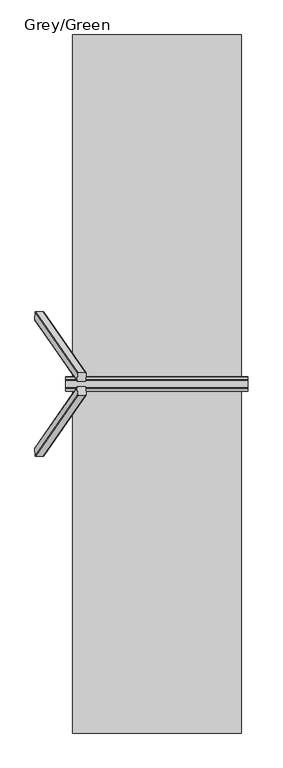
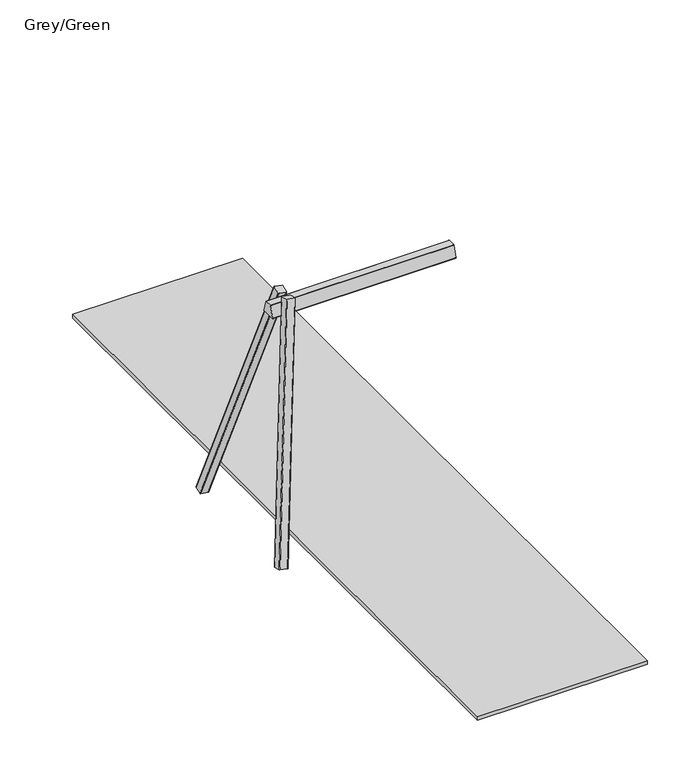
"""IFC4 building model written with IfcOpenShell, lengths in millimetres: furniture geometry, Grey/Green."""

import ifcopenshell
import ifcopenshell.guid

model = None  # the IFC model being written
_history = None  # IfcOwnerHistory: only IFC2X3 demands one
_inside = {}  # id of a spatial element -> (the spatial element, [elements in it])
_under = {}  # id of a project, library or spatial element -> (it, [spatial elements below it])
_declared = {}  # id of a project -> (the project, [libraries it declares])
_typed = {}  # id of a type object -> (the type object, [elements of that type])
_made_of = {}  # id of a material, layer set ... -> (it, [elements and type objects made of it])


def new_model(schema):
    """Start an empty IFC model of exactly this schema.

    Asked for "IFC4X3", IfcOpenShell would pick the latest addendum, in which some entities
    have other attributes; the version numbers below select the first issue.
    IFC2X3 requires an IfcOwnerHistory on every rooted entity: one is made here for all.
    """
    global model, _history
    if schema == "IFC4X3":
        model = ifcopenshell.file(schema_version=(4, 3, 0, 0))
    else:
        model = ifcopenshell.file(schema=schema)
    _inside.clear()
    _under.clear()
    _declared.clear()
    _typed.clear()
    _made_of.clear()
    _history = None
    if model.schema == "IFC2X3":
        org = make("IfcOrganization", Name="unknown")
        user = make(
            "IfcPersonAndOrganization",
            ThePerson=make("IfcPerson", FamilyName="unknown"),
            TheOrganization=org,
        )
        app = make(
            "IfcApplication",
            ApplicationDeveloper=org,
            Version="unknown",
            ApplicationFullName="unknown",
            ApplicationIdentifier="unknown",
        )
        _history = make(
            "IfcOwnerHistory",
            OwningUser=user,
            OwningApplication=app,
            ChangeAction="ADDED",
            CreationDate=0,
        )
    return model


def make(cls, **values):
    """One entity of the class cls with the attributes given. An attribute that is None is left unset."""
    return model.create_entity(
        cls, **{name: value for name, value in values.items() if value is not None}
    )


def rooted(cls, **values):
    """An entity with a GlobalId (a new one), such as an element, a storey or a relation."""
    return make(cls, GlobalId=ifcopenshell.guid.new(), OwnerHistory=_history, **values)


def si_unit(unit_type, name, prefix=None):
    """IfcSIUnit, for example si_unit("LENGTHUNIT", "METRE", prefix="MILLI")."""
    return make("IfcSIUnit", UnitType=unit_type, Prefix=prefix, Name=name)


def assignment(units):
    """IfcUnitAssignment: the units of a project."""
    return None if units is None else make("IfcUnitAssignment", Units=units)


def point(xyz):
    """IfcCartesianPoint."""
    return None if xyz is None else make("IfcCartesianPoint", Coordinates=xyz)


def direction(xyz):
    """IfcDirection."""
    return None if xyz is None else make("IfcDirection", DirectionRatios=xyz)


def frame(location, z_axis=None, x_axis=None):
    """IfcAxis2Placement3D, a coordinate frame: its origin and axes. An axis left out is left unset."""
    return make(
        "IfcAxis2Placement3D",
        Location=point(location),
        Axis=direction(z_axis),
        RefDirection=direction(x_axis),
    )


def frame_2d(location, x_axis=None):
    """IfcAxis2Placement2D, a coordinate frame in the plane: its origin and x axis."""
    return make(
        "IfcAxis2Placement2D", Location=point(location), RefDirection=direction(x_axis)
    )


def origin():
    """The frame at (0, 0, 0) with its axes left unset."""
    return frame((0.0, 0.0, 0.0))


def place(relative_to, where):
    """IfcLocalPlacement: puts the frame where relative to a parent placement (None: the world)."""
    return make(
        "IfcLocalPlacement", PlacementRelTo=relative_to, RelativePlacement=where
    )


def context(
    kind, dimensions, precision=None, world=None, true_north=None, identifier=None
):
    """IfcGeometricRepresentationContext, for example the 3D "Model" context."""
    return make(
        "IfcGeometricRepresentationContext",
        ContextIdentifier=identifier,
        ContextType=kind,
        CoordinateSpaceDimension=dimensions,
        Precision=precision,
        WorldCoordinateSystem=world,
        TrueNorth=true_north,
    )


def project(units=None, contexts=None):
    """IfcProject with its units and contexts."""
    return rooted(
        "IfcProject",
        Name="project",
        RepresentationContexts=contexts,
        UnitsInContext=assignment(units),
    )


def spatial(cls, under=None, at=None, **own):
    """A site, building, storey or space (cls), placed at a placement, below another one or the project."""
    s = rooted(cls, ObjectPlacement=at, **own)
    if under is not None:
        _under.setdefault(under.id(), (under, []))[1].append(s)
    return s


def polyline(points):
    """IfcPolyline through the points."""
    return make("IfcPolyline", Points=[point(p) for p in points])


def circle_curve(where, radius):
    """IfcCircle in the frame where."""
    return make("IfcCircle", Position=where, Radius=radius)


def trimmed(basis, trim1, trim2, sense, master):
    """IfcTrimmedCurve: the piece of a basis curve between two trims."""
    return make(
        "IfcTrimmedCurve",
        BasisCurve=basis,
        Trim1=trim1,
        Trim2=trim2,
        SenseAgreement=sense,
        MasterRepresentation=master,
    )


def segment(curve, same_sense, transition):
    """IfcCompositeCurveSegment."""
    return make(
        "IfcCompositeCurveSegment",
        Transition=transition,
        SameSense=same_sense,
        ParentCurve=curve,
    )


def composite_curve(segments, self_intersect=None):
    """IfcCompositeCurve: segments joined end to end."""
    return make("IfcCompositeCurve", Segments=segments, SelfIntersect=self_intersect)


def outline(outer, holes=None, kind="AREA"):
    """IfcArbitraryClosedProfileDef: a profile drawn as a closed curve; with holes, ...WithVoids."""
    if holes is None:
        return make("IfcArbitraryClosedProfileDef", ProfileType=kind, OuterCurve=outer)
    return make(
        "IfcArbitraryProfileDefWithVoids",
        ProfileType=kind,
        OuterCurve=outer,
        InnerCurves=holes,
    )


def extrude(swept, where, along, depth):
    """IfcExtrudedAreaSolid: the profile swept, set in the frame where, extruded along a direction by depth."""
    return make(
        "IfcExtrudedAreaSolid",
        SweptArea=swept,
        Position=where,
        ExtrudedDirection=direction(along),
        Depth=depth,
    )


def shape(context_of_items, identifier, shape_type, items):
    """IfcShapeRepresentation: the items that make up one representation, for example the "Body"."""
    return make(
        "IfcShapeRepresentation",
        ContextOfItems=context_of_items,
        RepresentationIdentifier=identifier,
        RepresentationType=shape_type,
        Items=items,
    )


def source(mapping_origin, context_of_items, identifier, shape_type, items):
    """IfcRepresentationMap: a shape defined once, which mapped items show again and again."""
    return make(
        "IfcRepresentationMap",
        MappingOrigin=mapping_origin,
        MappedRepresentation=shape(context_of_items, identifier, shape_type, items),
    )


def transform(
    local_origin,
    x_axis=None,
    y_axis=None,
    z_axis=None,
    scale=None,
    scale2=None,
    scale3=None,
    uniform=True,
):
    """IfcCartesianTransformationOperator3D, or its non-uniform kind. x_axis, y_axis, z_axis: its Axis1, 2, 3."""
    if uniform:
        return make(
            "IfcCartesianTransformationOperator3D",
            Axis1=direction(x_axis),
            Axis2=direction(y_axis),
            LocalOrigin=point(local_origin),
            Scale=scale,
            Axis3=direction(z_axis),
        )
    return make(
        "IfcCartesianTransformationOperator3DnonUniform",
        Axis1=direction(x_axis),
        Axis2=direction(y_axis),
        LocalOrigin=point(local_origin),
        Scale=scale,
        Axis3=direction(z_axis),
        Scale2=scale2,
        Scale3=scale3,
    )


def mapped(mapping_source, mapping_target):
    """IfcMappedItem: shows the shape of a source again, moved by a transform."""
    return make(
        "IfcMappedItem", MappingSource=mapping_source, MappingTarget=mapping_target
    )


def made_of(thing, what):
    """Note that an element or type object is made of a material, layer set ...; save() writes the relation."""
    if what is not None:
        _made_of.setdefault(what.id(), (what, []))[1].append(thing)
    return thing


def element(
    cls,
    number,
    at=None,
    inside=None,
    cuts=None,
    type_object=None,
    material=None,
    context=None,
    identifier="Body",
    shape_type=None,
    held_by="IfcProductDefinitionShape",
    body=None,
    shapes=None,
    **own,
):
    """One element of the class cls, such as IfcWall. Its Tag is "e" and its number.

    at: its placement. inside: the storey or other place that contains it. cuts: it is an
    opening in that element (IfcRelVoidsElement). A single representation is given by context,
    identifier, shape_type and body (its items); several are given by shapes. held_by: the class
    of the entity that holds the representations. save() writes the other relations.
    """
    e = rooted(cls, Tag="e%d" % number, ObjectPlacement=at, **own)
    if body is not None:
        shapes = [shape(context, identifier, shape_type, body)]
    if shapes is not None:
        e.Representation = make(held_by, Representations=shapes)
    if inside is not None:
        _inside.setdefault(inside.id(), (inside, []))[1].append(e)
    if cuts is not None:
        rooted(
            "IfcRelVoidsElement", RelatingBuildingElement=cuts, RelatedOpeningElement=e
        )
    if type_object is not None:
        _typed.setdefault(type_object.id(), (type_object, []))[1].append(e)
    return made_of(e, material)


def aggregate(whole, parts):
    """IfcRelAggregates: a whole, such as a stair, and the parts it consists of."""
    return rooted("IfcRelAggregates", RelatingObject=whole, RelatedObjects=parts)


def save(model, path):
    """Write the relations noted so far, then the file.

    IfcRelAggregates (storeys below a building ...), IfcRelContainedInSpatialStructure (elements
    in a storey), IfcRelDefinesByType, IfcRelAssociatesMaterial and IfcRelDeclares: one each for
    every whole, place, type object, material and project.
    """
    for whole, parts in _under.values():
        aggregate(whole, parts)
    for where, things in _inside.values():
        rooted(
            "IfcRelContainedInSpatialStructure",
            RelatedElements=things,
            RelatingStructure=where,
        )
    for kind, things in _typed.values():
        rooted("IfcRelDefinesByType", RelatedObjects=things, RelatingType=kind)
    for what, things in _made_of.values():
        rooted("IfcRelAssociatesMaterial", RelatedObjects=things, RelatingMaterial=what)
    for by, libraries in _declared.values():
        rooted("IfcRelDeclares", RelatingContext=by, RelatedDefinitions=libraries)
    model.write(path)


def grey_green_b735966a(model_context):
    return source(origin(), model_context, "Body", "SweptSolid", [
        extrude(outline(composite_curve([segment(polyline([(57.4711831, 15.6129077), (57.4711831, -69.3870923)]), True, "CONTINUOUS"), segment(trimmed(circle_curve(frame_2d((52.4711831, -69.3870923)), 5.0), [point((57.4711831, -69.3870923))], [point((52.4711831, -74.3870923))], False, "CARTESIAN"), True, "CONTINUOUS"), segment(polyline([(52.4711831, -74.3870923), (-32.5288169, -74.3870923)]), True, "CONTINUOUS"), segment(trimmed(circle_curve(frame_2d((-32.5288169, -69.3870923)), 5.0), [point((-32.5288169, -74.3870923))], [point((-37.5288169, -69.3870923))], False, "CARTESIAN"), True, "CONTINUOUS"), segment(polyline([(-37.5288169, -69.3870923), (-37.5288169, 15.6129077)]), True, "CONTINUOUS"), segment(trimmed(circle_curve(frame_2d((-32.5288169, 15.6129077)), 5.0), [point((-37.5288169, 15.6129077))], [point((-32.5288169, 20.6129077))], False, "CARTESIAN"), True, "CONTINUOUS"), segment(polyline([(-32.5288169, 20.6129077), (52.4711831, 20.6129077)]), True, "CONTINUOUS"), segment(trimmed(circle_curve(frame_2d((52.4711831, 15.6129077)), 5.0), [point((52.4711831, 20.6129077))], [point((57.4711831, 15.6129077))], False, "CARTESIAN"), True, "CONTINUOUS")], self_intersect=False)), frame((-1282.6227461, 718.9666546, -30.5958957), z_axis=(0.1739616592589606, -0.24987304883695416, 0.9525233858403659), x_axis=(-0.9837286289495357, 0.0, 0.1796607485931937)), (0.0, 0.0, 1.0), 2680.0),
        extrude(outline(composite_curve([segment(polyline([(74.8457619, 2342.2010506), (-74.473853, 2342.2010506)]), True, "CONTINUOUS"), segment(trimmed(circle_curve(frame_2d((-74.473853, 2347.2010506)), 5.0), [point((-74.473853, 2342.2010506))], [point((-79.2887572, 2348.5488997))], False, "CARTESIAN"), True, "CONTINUOUS"), segment(polyline([(-79.2887572, 2348.5488997), (-44.8570379, 2471.5488997)]), True, "CONTINUOUS"), segment(trimmed(circle_curve(frame_2d((-40.0421337, 2470.2010506)), 5.0), [point((-44.8570379, 2471.5488997))], [point((-40.0421337, 2475.2010506))], False, "CARTESIAN"), True, "CONTINUOUS"), segment(polyline([(-40.0421337, 2475.2010506), (39.6761648, 2475.2010506)]), True, "CONTINUOUS"), segment(trimmed(circle_curve(frame_2d((39.6761648, 2470.2010506)), 5.0), [point((39.6761648, 2475.2010506))], [point((44.4835084, 2471.5756225))], False, "CARTESIAN"), True, "CONTINUOUS"), segment(polyline([(44.4835084, 2471.5756225), (79.6531055, 2348.5756225)]), True, "CONTINUOUS"), segment(trimmed(circle_curve(frame_2d((74.8457619, 2347.2010506)), 5.0), [point((79.6531055, 2348.5756225))], [point((74.8457619, 2342.2010506))], False, "CARTESIAN"), True, "CONTINUOUS")], self_intersect=False)), frame((-1000.0, 0.0, 0.0), z_axis=(1.0, 0.0, 0.0), x_axis=(0.0, 1.0, 0.0)), (0.0, 0.0, 1.0), 2000.0),
        extrude(outline(composite_curve([segment(trimmed(circle_curve(frame_2d((52.4711831, -15.6129077)), 5.0), [point((57.4711831, -15.6129077))], [point((52.4711831, -20.6129077))], False, "CARTESIAN"), True, "CONTINUOUS"), segment(polyline([(52.4711831, -20.6129077), (-32.5288169, -20.6129077)]), True, "CONTINUOUS"), segment(trimmed(circle_curve(frame_2d((-32.5288169, -15.6129077)), 5.0), [point((-32.5288169, -20.6129077))], [point((-37.5288169, -15.6129077))], False, "CARTESIAN"), True, "CONTINUOUS"), segment(polyline([(-37.5288169, -15.6129077), (-37.5288169, 69.3870923)]), True, "CONTINUOUS"), segment(trimmed(circle_curve(frame_2d((-32.5288169, 69.3870923)), 5.0), [point((-37.5288169, 69.3870923))], [point((-32.5288169, 74.3870923))], False, "CARTESIAN"), True, "CONTINUOUS"), segment(polyline([(-32.5288169, 74.3870923), (52.4711831, 74.3870923)]), True, "CONTINUOUS"), segment(trimmed(circle_curve(frame_2d((52.4711831, 69.3870923)), 5.0), [point((52.4711831, 74.3870923))], [point((57.4711831, 69.3870923))], False, "CARTESIAN"), True, "CONTINUOUS"), segment(polyline([(57.4711831, 69.3870923), (57.4711831, -15.6129077)]), True, "CONTINUOUS")], self_intersect=False)), frame((-1282.6227461, -718.9666546, -30.5958957), z_axis=(0.1739616592589606, 0.24987304883695416, 0.9525233858403659), x_axis=(-0.9837286289495357, 0.0, 0.1796607485931937)), (0.0, 0.0, 1.0), 2680.0),
        extrude(outline(polyline([(925.0, 3825.0), (925.0, -3825.0), (-925.0, -3825.0), (-925.0, 3825.0), (925.0, 3825.0)])), frame((0.0, 0.0, -40.0), z_axis=(0.0, 0.0, 1.0), x_axis=(1.0, 0.0, 0.0)), (0.0, 0.0, 1.0), 41.0),
    ])


if __name__ == "__main__":
    model = new_model("IFC4")
    model_context = context("Model", 3, world=origin())
    ifc_project = project(units=[si_unit("LENGTHUNIT", "METRE", prefix="MILLI")], contexts=[model_context])
    site = spatial("IfcSite", under=ifc_project)
    building = spatial("IfcBuilding", under=site)
    placement = place(None, origin())
    grey_green_shape = grey_green_b735966a(model_context)
    element("IfcFurniture", 1, ObjectType="Grey/Green", at=placement, inside=building, context=model_context, shape_type="MappedRepresentation", body=[
        mapped(grey_green_shape, transform((0.0, 0.0, 0.0), x_axis=(1.0, 0.0, 0.0), y_axis=(0.0, 1.0, 0.0), z_axis=(0.0, 0.0, 1.0))),
    ])
    save(model, "model.ifc")
